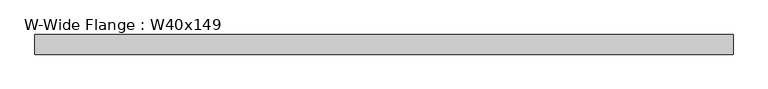
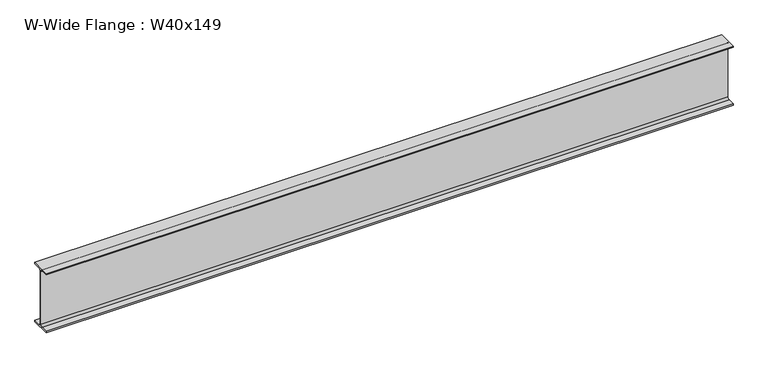
"""IFC4 building model written with IfcOpenShell, lengths in millimetres: beam geometry, W-Wide Flange : W40x149."""

import ifcopenshell
import ifcopenshell.guid

model = None  # the IFC model being written
_history = None  # IfcOwnerHistory: only IFC2X3 demands one
_inside = {}  # id of a spatial element -> (the spatial element, [elements in it])
_under = {}  # id of a project, library or spatial element -> (it, [spatial elements below it])
_declared = {}  # id of a project -> (the project, [libraries it declares])
_typed = {}  # id of a type object -> (the type object, [elements of that type])
_made_of = {}  # id of a material, layer set ... -> (it, [elements and type objects made of it])


def new_model(schema):
    """Start an empty IFC model of exactly this schema.

    Asked for "IFC4X3", IfcOpenShell would pick the latest addendum, in which some entities
    have other attributes; the version numbers below select the first issue.
    IFC2X3 requires an IfcOwnerHistory on every rooted entity: one is made here for all.
    """
    global model, _history
    if schema == "IFC4X3":
        model = ifcopenshell.file(schema_version=(4, 3, 0, 0))
    else:
        model = ifcopenshell.file(schema=schema)
    _inside.clear()
    _under.clear()
    _declared.clear()
    _typed.clear()
    _made_of.clear()
    _history = None
    if model.schema == "IFC2X3":
        org = make("IfcOrganization", Name="unknown")
        user = make(
            "IfcPersonAndOrganization",
            ThePerson=make("IfcPerson", FamilyName="unknown"),
            TheOrganization=org,
        )
        app = make(
            "IfcApplication",
            ApplicationDeveloper=org,
            Version="unknown",
            ApplicationFullName="unknown",
            ApplicationIdentifier="unknown",
        )
        _history = make(
            "IfcOwnerHistory",
            OwningUser=user,
            OwningApplication=app,
            ChangeAction="ADDED",
            CreationDate=0,
        )
    return model


def make(cls, **values):
    """One entity of the class cls with the attributes given. An attribute that is None is left unset."""
    return model.create_entity(
        cls, **{name: value for name, value in values.items() if value is not None}
    )


def rooted(cls, **values):
    """An entity with a GlobalId (a new one), such as an element, a storey or a relation."""
    return make(cls, GlobalId=ifcopenshell.guid.new(), OwnerHistory=_history, **values)


def si_unit(unit_type, name, prefix=None):
    """IfcSIUnit, for example si_unit("LENGTHUNIT", "METRE", prefix="MILLI")."""
    return make("IfcSIUnit", UnitType=unit_type, Prefix=prefix, Name=name)


def assignment(units):
    """IfcUnitAssignment: the units of a project."""
    return None if units is None else make("IfcUnitAssignment", Units=units)


def point(xyz):
    """IfcCartesianPoint."""
    return None if xyz is None else make("IfcCartesianPoint", Coordinates=xyz)


def direction(xyz):
    """IfcDirection."""
    return None if xyz is None else make("IfcDirection", DirectionRatios=xyz)


def frame(location, z_axis=None, x_axis=None):
    """IfcAxis2Placement3D, a coordinate frame: its origin and axes. An axis left out is left unset."""
    return make(
        "IfcAxis2Placement3D",
        Location=point(location),
        Axis=direction(z_axis),
        RefDirection=direction(x_axis),
    )


def frame_2d(location, x_axis=None):
    """IfcAxis2Placement2D, a coordinate frame in the plane: its origin and x axis."""
    return make(
        "IfcAxis2Placement2D", Location=point(location), RefDirection=direction(x_axis)
    )


def origin():
    """The frame at (0, 0, 0) with its axes left unset."""
    return frame((0.0, 0.0, 0.0))


def place(relative_to, where):
    """IfcLocalPlacement: puts the frame where relative to a parent placement (None: the world)."""
    return make(
        "IfcLocalPlacement", PlacementRelTo=relative_to, RelativePlacement=where
    )


def context(
    kind, dimensions, precision=None, world=None, true_north=None, identifier=None
):
    """IfcGeometricRepresentationContext, for example the 3D "Model" context."""
    return make(
        "IfcGeometricRepresentationContext",
        ContextIdentifier=identifier,
        ContextType=kind,
        CoordinateSpaceDimension=dimensions,
        Precision=precision,
        WorldCoordinateSystem=world,
        TrueNorth=true_north,
    )


def project(units=None, contexts=None):
    """IfcProject with its units and contexts."""
    return rooted(
        "IfcProject",
        Name="project",
        RepresentationContexts=contexts,
        UnitsInContext=assignment(units),
    )


def spatial(cls, under=None, at=None, **own):
    """A site, building, storey or space (cls), placed at a placement, below another one or the project."""
    s = rooted(cls, ObjectPlacement=at, **own)
    if under is not None:
        _under.setdefault(under.id(), (under, []))[1].append(s)
    return s


def polyline(points):
    """IfcPolyline through the points."""
    return make("IfcPolyline", Points=[point(p) for p in points])


def circle_curve(where, radius):
    """IfcCircle in the frame where."""
    return make("IfcCircle", Position=where, Radius=radius)


def trimmed(basis, trim1, trim2, sense, master):
    """IfcTrimmedCurve: the piece of a basis curve between two trims."""
    return make(
        "IfcTrimmedCurve",
        BasisCurve=basis,
        Trim1=trim1,
        Trim2=trim2,
        SenseAgreement=sense,
        MasterRepresentation=master,
    )


def segment(curve, same_sense, transition):
    """IfcCompositeCurveSegment."""
    return make(
        "IfcCompositeCurveSegment",
        Transition=transition,
        SameSense=same_sense,
        ParentCurve=curve,
    )


def composite_curve(segments, self_intersect=None):
    """IfcCompositeCurve: segments joined end to end."""
    return make("IfcCompositeCurve", Segments=segments, SelfIntersect=self_intersect)


def outline(outer, holes=None, kind="AREA"):
    """IfcArbitraryClosedProfileDef: a profile drawn as a closed curve; with holes, ...WithVoids."""
    if holes is None:
        return make("IfcArbitraryClosedProfileDef", ProfileType=kind, OuterCurve=outer)
    return make(
        "IfcArbitraryProfileDefWithVoids",
        ProfileType=kind,
        OuterCurve=outer,
        InnerCurves=holes,
    )


def extrude(swept, where, along, depth):
    """IfcExtrudedAreaSolid: the profile swept, set in the frame where, extruded along a direction by depth."""
    return make(
        "IfcExtrudedAreaSolid",
        SweptArea=swept,
        Position=where,
        ExtrudedDirection=direction(along),
        Depth=depth,
    )


def shape(context_of_items, identifier, shape_type, items):
    """IfcShapeRepresentation: the items that make up one representation, for example the "Body"."""
    return make(
        "IfcShapeRepresentation",
        ContextOfItems=context_of_items,
        RepresentationIdentifier=identifier,
        RepresentationType=shape_type,
        Items=items,
    )


def source(mapping_origin, context_of_items, identifier, shape_type, items):
    """IfcRepresentationMap: a shape defined once, which mapped items show again and again."""
    return make(
        "IfcRepresentationMap",
        MappingOrigin=mapping_origin,
        MappedRepresentation=shape(context_of_items, identifier, shape_type, items),
    )


def transform(
    local_origin,
    x_axis=None,
    y_axis=None,
    z_axis=None,
    scale=None,
    scale2=None,
    scale3=None,
    uniform=True,
):
    """IfcCartesianTransformationOperator3D, or its non-uniform kind. x_axis, y_axis, z_axis: its Axis1, 2, 3."""
    if uniform:
        return make(
            "IfcCartesianTransformationOperator3D",
            Axis1=direction(x_axis),
            Axis2=direction(y_axis),
            LocalOrigin=point(local_origin),
            Scale=scale,
            Axis3=direction(z_axis),
        )
    return make(
        "IfcCartesianTransformationOperator3DnonUniform",
        Axis1=direction(x_axis),
        Axis2=direction(y_axis),
        LocalOrigin=point(local_origin),
        Scale=scale,
        Axis3=direction(z_axis),
        Scale2=scale2,
        Scale3=scale3,
    )


def mapped(mapping_source, mapping_target):
    """IfcMappedItem: shows the shape of a source again, moved by a transform."""
    return make(
        "IfcMappedItem", MappingSource=mapping_source, MappingTarget=mapping_target
    )


def made_of(thing, what):
    """Note that an element or type object is made of a material, layer set ...; save() writes the relation."""
    if what is not None:
        _made_of.setdefault(what.id(), (what, []))[1].append(thing)
    return thing


def element(
    cls,
    number,
    at=None,
    inside=None,
    cuts=None,
    type_object=None,
    material=None,
    context=None,
    identifier="Body",
    shape_type=None,
    held_by="IfcProductDefinitionShape",
    body=None,
    shapes=None,
    **own,
):
    """One element of the class cls, such as IfcWall. Its Tag is "e" and its number.

    at: its placement. inside: the storey or other place that contains it. cuts: it is an
    opening in that element (IfcRelVoidsElement). A single representation is given by context,
    identifier, shape_type and body (its items); several are given by shapes. held_by: the class
    of the entity that holds the representations. save() writes the other relations.
    """
    e = rooted(cls, Tag="e%d" % number, ObjectPlacement=at, **own)
    if body is not None:
        shapes = [shape(context, identifier, shape_type, body)]
    if shapes is not None:
        e.Representation = make(held_by, Representations=shapes)
    if inside is not None:
        _inside.setdefault(inside.id(), (inside, []))[1].append(e)
    if cuts is not None:
        rooted(
            "IfcRelVoidsElement", RelatingBuildingElement=cuts, RelatedOpeningElement=e
        )
    if type_object is not None:
        _typed.setdefault(type_object.id(), (type_object, []))[1].append(e)
    return made_of(e, material)


def aggregate(whole, parts):
    """IfcRelAggregates: a whole, such as a stair, and the parts it consists of."""
    return rooted("IfcRelAggregates", RelatingObject=whole, RelatedObjects=parts)


def save(model, path):
    """Write the relations noted so far, then the file.

    IfcRelAggregates (storeys below a building ...), IfcRelContainedInSpatialStructure (elements
    in a storey), IfcRelDefinesByType, IfcRelAssociatesMaterial and IfcRelDeclares: one each for
    every whole, place, type object, material and project.
    """
    for whole, parts in _under.values():
        aggregate(whole, parts)
    for where, things in _inside.values():
        rooted(
            "IfcRelContainedInSpatialStructure",
            RelatedElements=things,
            RelatingStructure=where,
        )
    for kind, things in _typed.values():
        rooted("IfcRelDefinesByType", RelatedObjects=things, RelatingType=kind)
    for what, things in _made_of.values():
        rooted("IfcRelAssociatesMaterial", RelatedObjects=things, RelatingMaterial=what)
    for by, libraries in _declared.values():
        rooted("IfcRelDeclares", RelatingContext=by, RelatedDefinitions=libraries)
    model.write(path)


def w_wide_flange_w40x149_f0d9b95b(model_context):
    return source(origin(), model_context, "Body", "SweptSolid", [
        extrude(outline(composite_curve([segment(polyline([(149.86, -464.058), (149.86, -485.14), (-149.86, -485.14), (-149.86, -464.058), (-40.894, -464.058)]), True, "CONTINUOUS"), segment(trimmed(circle_curve(frame_2d((-40.894, -431.165)), 32.893), [point((-40.894, -464.058))], [point((-8.001, -431.165))], True, "CARTESIAN"), True, "CONTINUOUS"), segment(polyline([(-8.001, -431.165), (-8.001, 431.165)]), True, "CONTINUOUS"), segment(trimmed(circle_curve(frame_2d((-40.894, 431.165)), 32.893), [point((-8.001, 431.165))], [point((-40.894, 464.058))], True, "CARTESIAN"), True, "CONTINUOUS"), segment(polyline([(-40.894, 464.058), (-149.86, 464.058), (-149.86, 485.14), (149.86, 485.14), (149.86, 464.058), (40.894, 464.058)]), True, "CONTINUOUS"), segment(trimmed(circle_curve(frame_2d((40.894, 431.165)), 32.893), [point((40.894, 464.058))], [point((8.001, 431.165))], True, "CARTESIAN"), True, "CONTINUOUS"), segment(polyline([(8.001, 431.165), (8.001, -431.165)]), True, "CONTINUOUS"), segment(trimmed(circle_curve(frame_2d((40.894, -431.165)), 32.893), [point((8.001, -431.165))], [point((40.894, -464.058))], True, "CARTESIAN"), True, "CONTINUOUS"), segment(polyline([(40.894, -464.058), (149.86, -464.058)]), True, "CONTINUOUS")], self_intersect=False)), frame((-5319.1567721, 0.0, 0.0), z_axis=(1.0, 0.0, 0.0), x_axis=(0.0, 1.0, 0.0)), (0.0, 0.0, 1.0), 10639.1867721),
    ])


if __name__ == "__main__":
    model = new_model("IFC4")
    model_context = context("Model", 3, world=origin())
    ifc_project = project(units=[si_unit("LENGTHUNIT", "METRE", prefix="MILLI")], contexts=[model_context])
    site = spatial("IfcSite", under=ifc_project)
    building = spatial("IfcBuilding", under=site)
    placement = place(None, origin())
    w_wide_flange_w40x149_shape = w_wide_flange_w40x149_f0d9b95b(model_context)
    element("IfcBeam", 1, ObjectType="W-Wide Flange : W40x149", at=placement, inside=building, context=model_context, shape_type="MappedRepresentation", body=[
        mapped(w_wide_flange_w40x149_shape, transform((0.0, 0.0, 0.0), x_axis=(1.0, 0.0, 0.0), y_axis=(0.0, 1.0, 0.0), z_axis=(0.0, 0.0, 1.0))),
    ])
    save(model, "model.ifc")
